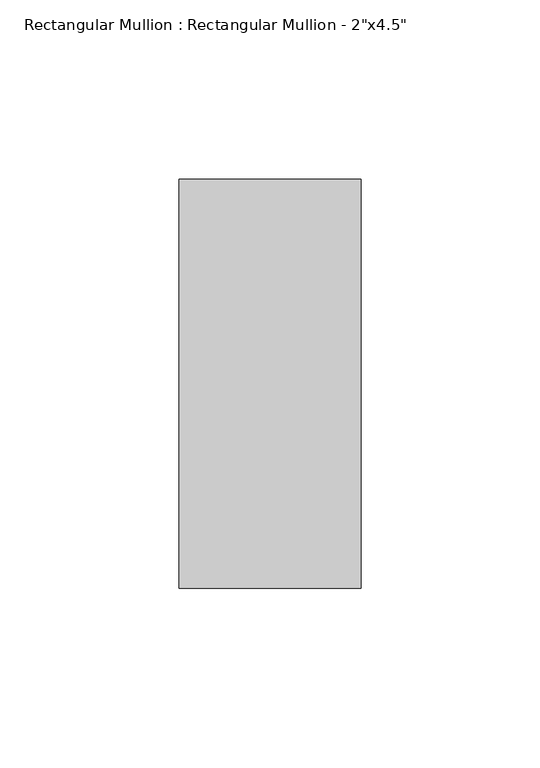
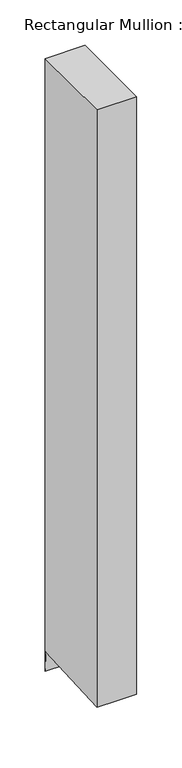
"""IFC4 building model written with IfcOpenShell, lengths in millimetres: member geometry."""

from ifc_helpers import new_model, si_unit, origin, place, context, project, spatial, faceted_brep, source, transform, mapped, element, save


def member_1ad25e0b(model_context):
    return source(origin(), model_context, "Body", "Brep", [
        faceted_brep([(25.4, 57.15, 0.0), (-25.4, 57.15, 0.0), (-25.4, -57.15, 0.0), (25.4, -57.15, 0.0), (25.4, 57.15, -825.6084403), (0.0, 57.15, -825.6084403), (-25.4, 57.15, -825.6084403), (-25.4, 55.6346001, -798.6462141), (-25.4, -57.15, -804.9852222), (0.0, -57.15, -804.9852222), (25.4, -57.15, -804.9852222), (25.4, 55.6346001, -798.6462141), (0.0, 55.6346001, -798.6462141)], [[[0, 1, 2, 3]], [[1, 0, 4, 5, 6]], [[2, 1, 6, 7, 8]], [[3, 2, 8, 9, 10]], [[0, 3, 10, 11, 4]], [[4, 11, 12, 5]], [[11, 10, 9, 12]], [[9, 8, 7, 12]], [[7, 6, 5, 12]]]),
    ])


if __name__ == "__main__":
    model = new_model("IFC4")
    model_context = context("Model", 3, world=origin())
    ifc_project = project(units=[si_unit("LENGTHUNIT", "METRE", prefix="MILLI")], contexts=[model_context])
    site = spatial("IfcSite", under=ifc_project)
    building = spatial("IfcBuilding", under=site)
    placement = place(None, origin())
    member_shape = member_1ad25e0b(model_context)
    element("IfcMember", 1, ObjectType="Rectangular Mullion : Rectangular Mullion - 2\"x4.5\"", at=placement, inside=building, context=model_context, shape_type="MappedRepresentation", body=[
        mapped(member_shape, transform((0.0, 0.0, 0.0), x_axis=(1.0, 0.0, 0.0), y_axis=(0.0, 1.0, 0.0), z_axis=(0.0, 0.0, 1.0))),
    ])
    save(model, "model.ifc")
